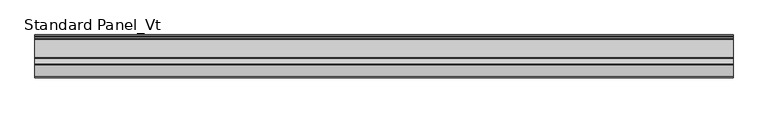
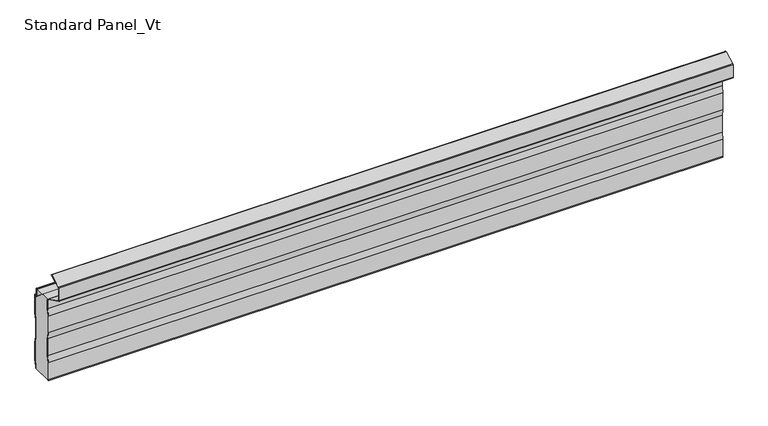
"""IFC4 building model written with IfcOpenShell, lengths in millimetres: proxy geometry, Standard Panel_Vt."""

from ifc_helpers import new_model, si_unit, point, frame, frame_2d, origin, place, context, project, spatial, polyline, circle_curve, trimmed, segment, composite_curve, outline, extrude, source, transform, mapped, element, save
from ifc_brep_helpers import plane_surface, cylinder_surface, revolved_surface, advanced_brep


def standard_panel_vt_525dc72d(model_context):
    return source(origin(), model_context, "Body", "SolidModel", [
        extrude(outline(composite_curve([segment(polyline([(-50.0, 2.6758967), (-49.5491903, 0.0), (-50.3604638, 0.0), (-50.8, 2.60898), (-50.8, 40.8180247), (-48.3, 55.6574178), (-48.3, 93.7695869), (-50.8, 108.60898), (-50.8, 146.8180247), (-48.3, 161.6574178), (-48.3, 181.8040392)]), True, "CONTINUOUS"), segment(trimmed(circle_curve(frame_2d((-50.6, 181.8040392)), 2.3), [point((-48.3, 181.8040392))], [point((-49.5733338, 183.8621832))], True, "CARTESIAN"), True, "CONTINUOUS"), segment(polyline([(-49.5733338, 183.8621832), (-88.0679093, 203.0644748)]), True, "CONTINUOUS"), segment(trimmed(circle_curve(frame_2d((-87.041243, 205.1226188)), 2.3), [point((-88.0679093, 203.0644748))], [point((-89.341243, 205.1226188))], False, "CARTESIAN"), True, "CONTINUOUS"), segment(polyline([(-89.341243, 205.1226188), (-89.341243, 233.2773812)]), True, "CONTINUOUS"), segment(trimmed(circle_curve(frame_2d((-87.041243, 233.2773812)), 2.3), [point((-89.341243, 233.2773812))], [point((-88.0688066, 235.3350773))], False, "CARTESIAN"), True, "CONTINUOUS"), segment(polyline([(-88.0688066, 235.3350773), (-63.2174495, 247.7452431)]), True, "CONTINUOUS"), segment(trimmed(circle_curve(frame_2d((-62.8600361, 247.0295227)), 0.8), [point((-63.2174495, 247.7452431))], [point((-62.5026227, 246.3138024))], False, "CARTESIAN"), True, "CONTINUOUS"), segment(polyline([(-62.5026227, 246.3138024), (-75.2066593, 239.9697142), (-75.5640727, 240.6854346), (-87.7113932, 234.6193569)]), True, "CONTINUOUS"), segment(trimmed(circle_curve(frame_2d((-87.041243, 233.2773812)), 1.5), [point((-87.7113932, 234.6193569))], [point((-88.541243, 233.2773812))], True, "CARTESIAN"), True, "CONTINUOUS"), segment(polyline([(-88.541243, 233.2773812), (-88.541243, 205.1226188)]), True, "CONTINUOUS"), segment(trimmed(circle_curve(frame_2d((-87.041243, 205.1226188)), 1.5), [point((-88.541243, 205.1226188))], [point((-87.710808, 203.780351))], True, "CARTESIAN"), True, "CONTINUOUS"), segment(polyline([(-87.710808, 203.780351), (-49.2162325, 184.5780593)]), True, "CONTINUOUS"), segment(trimmed(circle_curve(frame_2d((-50.6, 181.8040392)), 3.1), [point((-49.2162325, 184.5780593))], [point((-47.5, 181.8040392))], False, "CARTESIAN"), True, "CONTINUOUS"), segment(polyline([(-47.5, 181.8040392), (-47.5, 161.5905011), (-50.0, 146.751108), (-50.0, 108.6758967), (-47.5, 93.8365036), (-47.5, 55.5905011), (-50.0, 40.751108), (-50.0, 2.6758967)]), True, "CONTINUOUS")], self_intersect=False)), frame((-723.9042608, 0.0, 0.0), z_axis=(1.0, 0.0, 0.0), x_axis=(0.0, 1.0, 0.0)), (0.0, 0.0, 1.0), 1447.8085217),
        extrude(outline(composite_curve([segment(polyline([(-3.3, 3.6266429), (-3.3, 0.0), (-4.1, 0.0), (-4.1, 3.6928529), (-1.6, 18.6928529), (-1.6, 56.5604329), (-4.1, 71.5604329), (-4.1, 109.6928529), (-1.6, 124.6928529), (-1.6, 165.8009611), (-4.1204106, 164.1655843)]), True, "CONTINUOUS"), segment(trimmed(circle_curve(frame_2d((-5.1001721, 165.6755735)), 1.8), [point((-4.1204106, 164.1655843))], [point((-6.9001721, 165.6755735))], False, "CARTESIAN"), True, "CONTINUOUS"), segment(polyline([(-6.9001721, 165.6755735), (-6.9001721, 181.2616436)]), True, "CONTINUOUS"), segment(trimmed(circle_curve(frame_2d((-8.2001714, 181.2616436)), 1.2999993), [point((-6.9001721, 181.2616436))], [point((-8.2001714, 182.5616429))], True, "CARTESIAN"), True, "CONTINUOUS"), segment(polyline([(-8.2001714, 182.5616429), (-10.2001722, 182.5616429), (-10.2001722, 183.3616429), (-8.2001714, 183.3616429)]), True, "CONTINUOUS"), segment(trimmed(circle_curve(frame_2d((-8.2001714, 181.2616436)), 2.0999993), [point((-8.2001714, 183.3616429))], [point((-6.1001721, 181.2616436))], False, "CARTESIAN"), True, "CONTINUOUS"), segment(polyline([(-6.1001721, 181.2616436), (-6.1001721, 165.6755735)]), True, "CONTINUOUS"), segment(trimmed(circle_curve(frame_2d((-5.1001721, 165.6755735)), 1.0), [point((-6.1001721, 165.6755735))], [point((-4.5558601, 164.8366906))], True, "CARTESIAN"), True, "CONTINUOUS"), segment(polyline([(-4.5558601, 164.8366906), (-2.3443119, 166.271661)]), True, "CONTINUOUS"), segment(trimmed(circle_curve(frame_2d((-1.8, 165.4327781)), 1.0), [point((-2.3443119, 166.271661))], [point((-0.8, 165.4327781))], False, "CARTESIAN"), True, "CONTINUOUS"), segment(polyline([(-0.8, 165.4327781), (-0.8, 124.6266429), (-3.3, 109.6266429), (-3.3, 71.6266429), (-0.8, 56.6266429), (-0.8, 18.6266429), (-3.3, 3.6266429)]), True, "CONTINUOUS")], self_intersect=False)), frame((-723.9042608, 0.0, 0.0), z_axis=(1.0, 0.0, 0.0), x_axis=(0.0, 1.0, 0.0)), (0.0, 0.0, 1.0), 1447.8085217),
        advanced_brep(
        [(-723.9042608, -47.9622719, 183.4326554), (-723.9042608, -10.2001722, 183.4), (-723.9042608, -10.2001722, 182.5616429), (-723.9042608, -8.2001714, 182.5616429), (-723.9042608, -6.9001721, 181.2616436), (-723.9042608, -6.9001721, 165.6755735), (-723.9042608, -4.1204106, 164.1655843), (-723.9042608, -1.6, 165.8009611), (-723.9042608, -1.6, 124.6928529), (-723.9042608, -4.1, 109.6928529), (-723.9042608, -4.1, 71.5604329), (-723.9042608, -1.6, 56.5604329), (-723.9042608, -1.6, 18.6928529), (-723.9042608, -4.1, 3.6928529), (-723.9042608, -4.1, 0.0), (-723.9042608, -49.5491903, 0.0), (-723.9042608, -50.0, 2.6758967), (-723.9042608, -50.0, 40.751108), (-723.9042608, -47.5, 55.5905011), (-723.9042608, -47.5, 93.8365036), (-723.9042608, -50.0, 108.6758967), (-723.9042608, -50.0, 146.751108), (-723.9042608, -47.5, 161.5905011), (-723.9042608, -47.5, 181.8040392), (723.9042608, -50.0, 2.6758967), (723.9042608, -49.5491903, 0.0), (723.9042608, -4.1, 0.0), (723.9042608, -4.1, 3.6928529), (723.9042608, -1.6, 18.6928529), (723.9042608, -1.6, 56.5604329), (723.9042608, -4.1, 71.5604329), (723.9042608, -4.1, 109.6928529), (723.9042608, -1.6, 124.6928529), (723.9042608, -1.6, 165.8009611), (723.9042608, -4.1204106, 164.1655843), (723.9042608, -6.9001721, 165.6755735), (723.9042608, -6.9001721, 181.2616436), (723.9042608, -8.2001714, 182.5616429), (723.9042608, -10.2001722, 182.5616429), (723.9042608, -10.2001722, 183.4), (723.9042608, -47.9622719, 183.4326554), (723.9042608, -47.5, 181.8040392), (723.9042608, -47.5, 161.5905011), (723.9042608, -50.0, 146.751108), (723.9042608, -50.0, 108.6758967), (723.9042608, -47.5, 93.8365036), (723.9042608, -47.5, 55.5905011), (723.9042608, -50.0, 40.751108)],
        [
            (0, 1),
            (1, 2),
            (2, 3),
            (3, 4, circle_curve(frame((-723.9042608, -8.2001714, 181.2616436), z_axis=(-1.0, 0.0, 0.0), x_axis=(0.0, 0.0, -1.0)), 1.2999993)),
            (4, 5),
            (5, 6, circle_curve(frame((-723.9042608, -5.1001721, 165.6755735), z_axis=(1.0, 0.0, 0.0), x_axis=(0.0, 0.0, -1.0)), 1.8)),
            (6, 7),
            (7, 8),
            (8, 9),
            (9, 10),
            (10, 11),
            (11, 12),
            (12, 13),
            (13, 14),
            (14, 15),
            (15, 16),
            (16, 17),
            (17, 18),
            (18, 19),
            (19, 20),
            (20, 21),
            (21, 22),
            (22, 23),
            (23, 0, circle_curve(frame((-723.9042608, -50.6, 181.8040392), z_axis=(1.0, 0.0, 0.0), x_axis=(0.0, 0.0, -1.0)), 3.1)),
            (24, 25),
            (25, 26),
            (26, 27),
            (27, 28),
            (28, 29),
            (29, 30),
            (30, 31),
            (31, 32),
            (32, 33),
            (33, 34),
            (34, 35, circle_curve(frame((723.9042608, -5.1001721, 165.6755735), z_axis=(-1.0, 0.0, 0.0), x_axis=(0.0, 0.0, -1.0)), 1.8)),
            (35, 36),
            (36, 37, circle_curve(frame((723.9042608, -8.2001714, 181.2616436), z_axis=(1.0, 0.0, 0.0), x_axis=(0.0, 0.0, -1.0)), 1.2999993)),
            (37, 38),
            (38, 39),
            (39, 40),
            (40, 41, circle_curve(frame((723.9042608, -50.6, 181.8040392), z_axis=(-1.0, 0.0, 0.0), x_axis=(0.0, 0.0, -1.0)), 3.1)),
            (41, 42),
            (42, 43),
            (43, 44),
            (44, 45),
            (45, 46),
            (46, 47),
            (47, 24),
            (23, 41),
            (40, 0),
            (22, 42),
            (21, 43),
            (20, 44),
            (19, 45),
            (18, 46),
            (17, 47),
            (16, 24),
            (15, 25),
            (38, 2),
            (1, 39),
            (26, 14),
            (13, 27),
            (12, 28),
            (11, 29),
            (10, 30),
            (9, 31),
            (8, 32),
            (7, 33),
            (6, 34),
            (5, 35),
            (4, 36),
            (3, 37),
        ],
        [
            plane_surface(frame((-723.9042608, -50.0, -280.8), z_axis=(-1.0, 0.0, 0.0), x_axis=(0.0, 1.0, 0.0))),
            plane_surface(frame((723.9042608, -50.0, -280.8), z_axis=(1.0, 0.0, 0.0), x_axis=(0.0, 1.0, 0.0))),
            revolved_surface(polyline([(723.9042608, -50.6, 178.7040392), (-723.9042608, -50.6, 178.7040392)]), (-723.9042608, -50.6, 181.8040392), (1.0, 0.0, 0.0)),
            plane_surface(frame((-723.9042608, -47.5, 181.8040392), z_axis=(0.0, -1.0, 0.0), x_axis=(1.0, 0.0, 0.0))),
            plane_surface(frame((-723.9042608, -47.5, 161.5905011), z_axis=(0.0, -0.9861039564577478, 0.16612942863435207), x_axis=(1.0, 0.0, 0.0))),
            plane_surface(frame((-723.9042608, -50.0, 146.751108), z_axis=(0.0, -1.0, 0.0), x_axis=(1.0, 0.0, 0.0))),
            plane_surface(frame((-723.9042608, -50.0, 108.6758967), z_axis=(0.0, -0.986103956457715, -0.16612942863454708), x_axis=(1.0, 0.0, 0.0))),
            plane_surface(frame((-723.9042608, -47.5, 93.8365036), z_axis=(0.0, -1.0, 0.0), x_axis=(1.0, 0.0, 0.0))),
            plane_surface(frame((-723.9042608, -47.5, 55.5905011), z_axis=(0.0, -0.9861039564577201, 0.1661294286345171), x_axis=(1.0, 0.0, 0.0))),
            plane_surface(frame((-723.9042608, -50.0, 40.751108), z_axis=(0.0, -1.0, 0.0), x_axis=(1.0, 0.0, 0.0))),
            plane_surface(frame((-723.9042608, -50.0, 2.6758967), z_axis=(0.0, -0.986103956457715, -0.16612942863454708), x_axis=(1.0, 0.0, 0.0))),
            plane_surface(frame((723.9042608, -10.2001722, 183.4), z_axis=(0.0, 1.0, 0.0), x_axis=(-1.0, 0.0, 0.0))),
            plane_surface(frame((-723.9042608, -4.1, -34.4395671), z_axis=(0.0, 1.0, 0.0), x_axis=(1.0, 0.0, 0.0))),
            plane_surface(frame((-723.9042608, -4.1, 3.6928529), z_axis=(0.0, 0.9863939238321462, -0.1643989873053435), x_axis=(1.0, 0.0, 0.0))),
            plane_surface(frame((-723.9042608, -1.6, 18.6928529), z_axis=(0.0, 1.0, 0.0), x_axis=(1.0, 0.0, 0.0))),
            plane_surface(frame((-723.9042608, -1.6, 56.5604329), z_axis=(0.0, 0.9863939238321415, 0.16439898730537109), x_axis=(1.0, 0.0, 0.0))),
            plane_surface(frame((-723.9042608, -4.1, 71.5604329), z_axis=(0.0, 1.0, 0.0), x_axis=(1.0, 0.0, 0.0))),
            plane_surface(frame((-723.9042608, -4.1, 109.6928529), z_axis=(0.0, 0.9863939238321769, -0.16439898730515876), x_axis=(1.0, 0.0, 0.0))),
            plane_surface(frame((-723.9042608, -1.6, 124.6928529), z_axis=(0.0, 1.0, 0.0), x_axis=(1.0, 0.0, 0.0))),
            plane_surface(frame((-723.9042608, -1.6, 165.8009611), z_axis=(0.0, -0.5443119480359504, 0.8388828900539747), x_axis=(1.0, 0.0, 0.0))),
            revolved_surface(polyline([(723.9042608, -5.1001721, 163.8755735), (-723.9042608, -5.1001721, 163.8755735)]), (-723.9042608, -5.1001721, 165.6755735), (1.0, 0.0, 0.0)),
            plane_surface(frame((-723.9042608, -6.9001721, 165.6755735), z_axis=(0.0, 1.0, 0.0), x_axis=(1.0, 0.0, 0.0))),
            cylinder_surface(frame((-723.9042608, -8.2001714, 181.2616436), z_axis=(-1.0, 0.0, 0.0), x_axis=(0.0, 0.0, -1.0)), 1.2999993),
            plane_surface(frame((-723.9042608, -8.2001714, 182.5616429), z_axis=(0.0, 0.0, 1.0), x_axis=(1.0, 0.0, 0.0))),
            plane_surface(frame((723.9042608, -150.0, 0.0), z_axis=(0.0, 0.0, -1.0), x_axis=(-1.0, 0.0, 0.0))),
            plane_surface(frame((-723.9042608, -45.05, 183.4326554), z_axis=(0.0, 0.0, 1.0), x_axis=(1.0, 0.0, 0.0))),
        ],
        [
            (0, [[1, 2, 3, 4, 5, 6, 7, 8, 9, 10, 11, 12, 13, 14, 15, 16, 17, 18, 19, 20, 21, 22, 23, 24]]),
            (1, [[25, 26, 27, 28, 29, 30, 31, 32, 33, 34, 35, 36, 37, 38, 39, 40, 41, 42, 43, 44, 45, 46, 47, 48]]),
            (2, [[49, -41, 50, -24]]),
            (3, [[51, -42, -49, -23]]),
            (4, [[52, -43, -51, -22]]),
            (5, [[53, -44, -52, -21]]),
            (6, [[54, -45, -53, -20]]),
            (7, [[55, -46, -54, -19]]),
            (8, [[56, -47, -55, -18]]),
            (9, [[57, -48, -56, -17]]),
            (10, [[-16, 58, -25, -57]]),
            (11, [[-39, 59, -2, 60]]),
            (12, [[-27, 61, -14, 62]]),
            (13, [[63, -28, -62, -13]]),
            (14, [[64, -29, -63, -12]]),
            (15, [[65, -30, -64, -11]]),
            (16, [[66, -31, -65, -10]]),
            (17, [[67, -32, -66, -9]]),
            (18, [[68, -33, -67, -8]]),
            (19, [[69, -34, -68, -7]]),
            (20, [[70, -35, -69, -6]]),
            (21, [[71, -36, -70, -5]]),
            (22, [[72, -37, -71, -4]]),
            (23, [[-59, -38, -72, -3]]),
            (24, [[-61, -26, -58, -15]]),
            (25, [[-40, -60, -1, -50]]),
        ],
    ),
    ])


if __name__ == "__main__":
    model = new_model("IFC4")
    model_context = context("Model", 3, world=origin())
    ifc_project = project(units=[si_unit("LENGTHUNIT", "METRE", prefix="MILLI")], contexts=[model_context])
    site = spatial("IfcSite", under=ifc_project)
    building = spatial("IfcBuilding", under=site)
    placement = place(None, origin())
    standard_panel_vt_shape = standard_panel_vt_525dc72d(model_context)
    element("IfcBuildingElementProxy", 1, Name="Standard Panel_Vt", ObjectType="Standard Panel_Vt", at=placement, inside=building, context=model_context, shape_type="MappedRepresentation", body=[
        mapped(standard_panel_vt_shape, transform((0.0, 0.0, 0.0), x_axis=(1.0, 0.0, 0.0), y_axis=(0.0, 1.0, 0.0), z_axis=(0.0, 0.0, 1.0))),
    ])
    save(model, "model.ifc")
